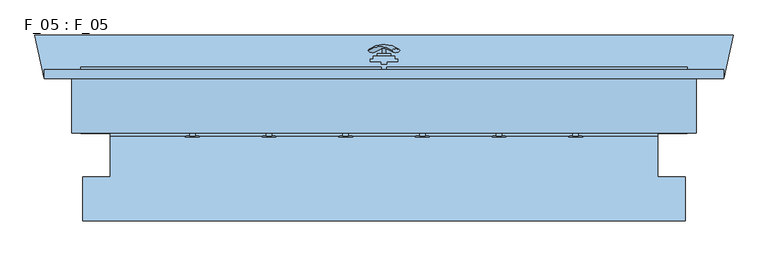
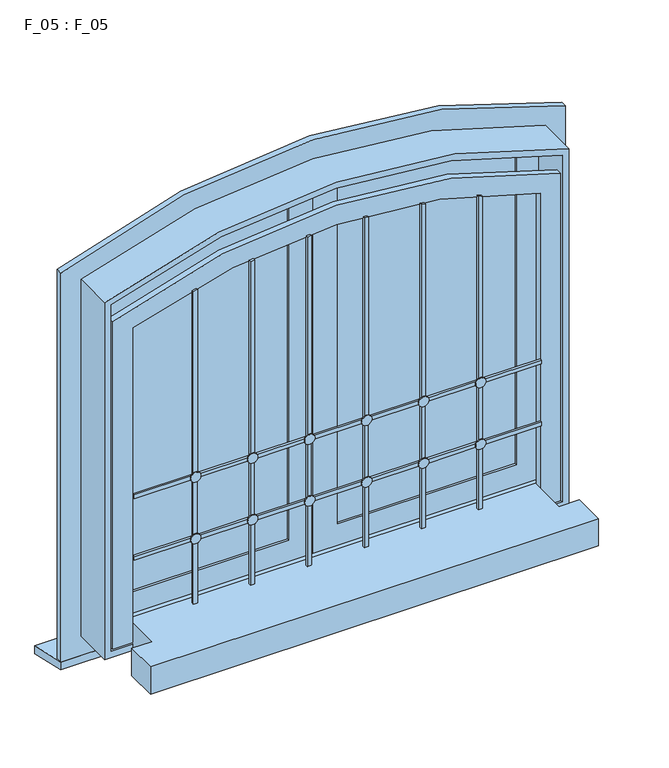
"""IFC4 building model written with IfcOpenShell, lengths in millimetres: window geometry, F_05 : F_05."""

from ifc_helpers import new_model, si_unit, point, frame, frame_2d, origin, place, context, project, spatial, polyline, circle_curve, ellipse_curve, trimmed, segment, composite_curve, outline, extrude, source, transform, mapped, element, save
from ifc_brep_helpers import plane_surface, cylinder_surface, revolved_surface, advanced_brep


def f_05_f_05_16f72bff(model_context):
    return source(origin(), model_context, "Body", "SolidModel", [
        advanced_brep(
        [(-28.5497704, -58.7712276, 1637.2483361), (-14.693364, -58.7712276, 1629.2483361), (14.693364, -58.7712276, 1712.147642), (28.5497704, -58.7712276, 1704.147642)],
        [
            (0, 1, ellipse_curve(frame((-21.6215672, -58.7712276, 1633.2483361), z_axis=(-0.46984631039295827, -0.3420201433256777, -0.8137976813493676), x_axis=(0.8660254037844349, 0.0, -0.5000000000000066)), 8.0, 3.5)),
            (1, 0, ellipse_curve(frame((-21.6215672, -58.7712276, 1633.2483361), z_axis=(-0.46984631039295827, -0.3420201433256777, -0.8137976813493676), x_axis=(0.8660254037844349, 0.0, -0.5000000000000066)), 8.0, 3.5)),
            (2, 3, ellipse_curve(frame((21.6215672, -58.7712276, 1708.147642), z_axis=(0.46984631039296154, -0.3420201433256599, 0.8137976813493732), x_axis=(0.8660254037844355, 0.0, -0.5000000000000056)), 8.0, 3.5)),
            (3, 2, ellipse_curve(frame((21.6215672, -58.7712276, 1708.147642), z_axis=(0.46984631039296154, -0.3420201433256599, 0.8137976813493732), x_axis=(0.8660254037844355, 0.0, -0.5000000000000056)), 8.0, 3.5)),
            (2, 0, circle_curve(frame((-6.9282032, -177.580763, 1674.6979891), z_axis=(-0.8660254037844353, 0.0, 0.500000000000006), x_axis=(-0.1710100716628409, 0.9396926207859051, -0.29619813272603046)), 126.4344667)),
            (1, 3, circle_curve(frame((6.9282032, -177.580763, 1666.6979891), z_axis=(0.8660254037844353, 0.0, -0.500000000000006), x_axis=(-0.1710100716628409, 0.9396926207859051, -0.29619813272603046)), 126.4344667)),
        ],
        [
            plane_surface(frame((40.0926994, -61.4528319, 1598.7446033), z_axis=(-0.4698463103929582, -0.34202014332567776, -0.8137976813493677), x_axis=(-0.8660254037844352, 0.0, 0.500000000000006))),
            plane_surface(frame((82.3598097, -61.4528319, 1671.9533858), z_axis=(0.4698463103929615, -0.34202014332565983, 0.8137976813493734), x_axis=(-0.8660254037844352, 0.0, 0.500000000000006))),
            revolved_surface(trimmed(ellipse_curve(frame((-21.6215672, -58.7712276, 1633.2483361), z_axis=(0.46984631039295827, 0.3420201433256777, 0.8137976813493676), x_axis=(0.8660254037844349, 0.0, -0.5000000000000066)), 8.0, 3.5), [point((-28.5497704, -58.7712276, 1637.2483361))], [point((-14.693364, -58.7712276, 1629.2483361))], True, "CARTESIAN"), (61.2262546, -177.580763, 1635.3489945), (-0.8660254037844353, 0.0, 0.500000000000006)),
            revolved_surface(trimmed(ellipse_curve(frame((-21.6215672, -58.7712276, 1633.2483361), z_axis=(0.46984631039295827, 0.3420201433256777, 0.8137976813493676), x_axis=(0.8660254037844349, 0.0, -0.5000000000000066)), 8.0, 3.5), [point((-14.693364, -58.7712276, 1629.2483361))], [point((-28.5497704, -58.7712276, 1637.2483361))], True, "CARTESIAN"), (61.2262546, -177.580763, 1635.3489945), (-0.8660254037844353, 0.0, 0.500000000000006)),
        ],
        [
            (0, [[1, 2]]),
            (1, [[3, 4]]),
            (2, [[-3, 5, -2, 6]]),
            (3, [[-4, -6, -1, -5]]),
        ],
    ),
        extrude(outline(composite_curve([segment(trimmed(circle_curve(frame_2d((1670.6979891, 0.0)), 3.5), [point((1670.6979891, -3.5))], [point((1670.6979891, 3.5))], False, "CARTESIAN"), True, "CONTINUOUS"), segment(trimmed(circle_curve(frame_2d((1670.6979891, 0.0)), 3.5), [point((1670.6979891, 3.5))], [point((1670.6979891, -3.5))], False, "CARTESIAN"), True, "CONTINUOUS")], self_intersect=False)), frame((0.0, -64.0, 0.0), z_axis=(0.0, 1.0, 0.0), x_axis=(0.0, 0.0, 1.0)), (0.0, 0.0, 1.0), 10.0),
        extrude(outline(polyline([(12.5, -64.0), (12.5, -69.0), (-12.5, -69.0), (-12.5, -64.0), (12.5, -64.0)])), frame((0.0, 0.0, 1600.0), z_axis=(0.0, 0.0, 1.0), x_axis=(1.0, 0.0, 0.0)), (0.0, 0.0, 1.0), 140.0),
        extrude(outline(polyline([(500.0, -190.0), (500.0, -290.0), (550.0, -290.0), (550.0, -370.0), (-550.0, -370.0), (-550.0, -290.0), (-500.0, -290.0), (-500.0, -190.0), (500.0, -190.0)])), frame((0.0, 0.0, 1200.0), z_axis=(0.0, 0.0, 1.0), x_axis=(1.0, 0.0, 0.0)), (0.0, 0.0, 1.0), 71.0),
        extrude(outline(polyline([(-620.0, -110.0), (-637.5, -30.0), (637.5, -30.0), (620.0, -110.0), (-620.0, -110.0)])), frame((0.0, 0.0, 1130.0), z_axis=(0.0, 0.0, 1.0), x_axis=(1.0, 0.0, 0.0)), (0.0, 0.0, 1.0), 20.0),
        extrude(outline(composite_curve([segment(trimmed(circle_curve(frame_2d((1441.0, 350.0)), 12.5), [point((1441.0, 337.5))], [point((1441.0, 362.5))], False, "CARTESIAN"), True, "CONTINUOUS"), segment(trimmed(circle_curve(frame_2d((1441.0, 350.0)), 12.5), [point((1441.0, 362.5))], [point((1441.0, 337.5))], False, "CARTESIAN"), True, "CONTINUOUS")], self_intersect=False)), frame((0.0, -217.0, 0.0), z_axis=(0.0, 1.0, 0.0), x_axis=(0.0, 0.0, 1.0)), (0.0, 0.0, 1.0), 2.0),
        extrude(outline(composite_curve([segment(trimmed(circle_curve(frame_2d((1441.0, 210.0)), 12.5), [point((1441.0, 197.5))], [point((1441.0, 222.5))], False, "CARTESIAN"), True, "CONTINUOUS"), segment(trimmed(circle_curve(frame_2d((1441.0, 210.0)), 12.5), [point((1441.0, 222.5))], [point((1441.0, 197.5))], False, "CARTESIAN"), True, "CONTINUOUS")], self_intersect=False)), frame((0.0, -217.0, 0.0), z_axis=(0.0, 1.0, 0.0), x_axis=(0.0, 0.0, 1.0)), (0.0, 0.0, 1.0), 2.0),
        extrude(outline(composite_curve([segment(trimmed(circle_curve(frame_2d((1441.0, 70.0)), 12.5), [point((1441.0, 57.5))], [point((1441.0, 82.5))], False, "CARTESIAN"), True, "CONTINUOUS"), segment(trimmed(circle_curve(frame_2d((1441.0, 70.0)), 12.5), [point((1441.0, 82.5))], [point((1441.0, 57.5))], False, "CARTESIAN"), True, "CONTINUOUS")], self_intersect=False)), frame((0.0, -217.0, 0.0), z_axis=(0.0, 1.0, 0.0), x_axis=(0.0, 0.0, 1.0)), (0.0, 0.0, 1.0), 2.0),
        extrude(outline(composite_curve([segment(trimmed(circle_curve(frame_2d((1441.0, -70.0)), 12.5), [point((1441.0, -82.5))], [point((1441.0, -57.5))], False, "CARTESIAN"), True, "CONTINUOUS"), segment(trimmed(circle_curve(frame_2d((1441.0, -70.0)), 12.5), [point((1441.0, -57.5))], [point((1441.0, -82.5))], False, "CARTESIAN"), True, "CONTINUOUS")], self_intersect=False)), frame((0.0, -217.0, 0.0), z_axis=(0.0, 1.0, 0.0), x_axis=(0.0, 0.0, 1.0)), (0.0, 0.0, 1.0), 2.0),
        extrude(outline(composite_curve([segment(trimmed(circle_curve(frame_2d((1441.0, -210.0)), 12.5), [point((1441.0, -222.5))], [point((1441.0, -197.5))], False, "CARTESIAN"), True, "CONTINUOUS"), segment(trimmed(circle_curve(frame_2d((1441.0, -210.0)), 12.5), [point((1441.0, -197.5))], [point((1441.0, -222.5))], False, "CARTESIAN"), True, "CONTINUOUS")], self_intersect=False)), frame((0.0, -217.0, 0.0), z_axis=(0.0, 1.0, 0.0), x_axis=(0.0, 0.0, 1.0)), (0.0, 0.0, 1.0), 2.0),
        extrude(outline(composite_curve([segment(trimmed(circle_curve(frame_2d((1441.0, -350.0)), 12.5), [point((1441.0, -362.5))], [point((1441.0, -337.5))], False, "CARTESIAN"), True, "CONTINUOUS"), segment(trimmed(circle_curve(frame_2d((1441.0, -350.0)), 12.5), [point((1441.0, -337.5))], [point((1441.0, -362.5))], False, "CARTESIAN"), True, "CONTINUOUS")], self_intersect=False)), frame((0.0, -217.0, 0.0), z_axis=(0.0, 1.0, 0.0), x_axis=(0.0, 0.0, 1.0)), (0.0, 0.0, 1.0), 2.0),
        extrude(outline(composite_curve([segment(trimmed(circle_curve(frame_2d((1601.0, 350.0)), 12.5), [point((1601.0, 337.5))], [point((1601.0, 362.5))], False, "CARTESIAN"), True, "CONTINUOUS"), segment(trimmed(circle_curve(frame_2d((1601.0, 350.0)), 12.5), [point((1601.0, 362.5))], [point((1601.0, 337.5))], False, "CARTESIAN"), True, "CONTINUOUS")], self_intersect=False)), frame((0.0, -217.0, 0.0), z_axis=(0.0, 1.0, 0.0), x_axis=(0.0, 0.0, 1.0)), (0.0, 0.0, 1.0), 2.0),
        extrude(outline(composite_curve([segment(trimmed(circle_curve(frame_2d((1601.0, 210.0)), 12.5), [point((1601.0, 197.5))], [point((1601.0, 222.5))], False, "CARTESIAN"), True, "CONTINUOUS"), segment(trimmed(circle_curve(frame_2d((1601.0, 210.0)), 12.5), [point((1601.0, 222.5))], [point((1601.0, 197.5))], False, "CARTESIAN"), True, "CONTINUOUS")], self_intersect=False)), frame((0.0, -217.0, 0.0), z_axis=(0.0, 1.0, 0.0), x_axis=(0.0, 0.0, 1.0)), (0.0, 0.0, 1.0), 2.0),
        extrude(outline(composite_curve([segment(trimmed(circle_curve(frame_2d((1601.0, 70.0)), 12.5), [point((1601.0, 57.5))], [point((1601.0, 82.5))], False, "CARTESIAN"), True, "CONTINUOUS"), segment(trimmed(circle_curve(frame_2d((1601.0, 70.0)), 12.5), [point((1601.0, 82.5))], [point((1601.0, 57.5))], False, "CARTESIAN"), True, "CONTINUOUS")], self_intersect=False)), frame((0.0, -217.0, 0.0), z_axis=(0.0, 1.0, 0.0), x_axis=(0.0, 0.0, 1.0)), (0.0, 0.0, 1.0), 2.0),
        extrude(outline(composite_curve([segment(trimmed(circle_curve(frame_2d((1601.0, -70.0)), 12.5), [point((1601.0, -82.5))], [point((1601.0, -57.5))], False, "CARTESIAN"), True, "CONTINUOUS"), segment(trimmed(circle_curve(frame_2d((1601.0, -70.0)), 12.5), [point((1601.0, -57.5))], [point((1601.0, -82.5))], False, "CARTESIAN"), True, "CONTINUOUS")], self_intersect=False)), frame((0.0, -217.0, 0.0), z_axis=(0.0, 1.0, 0.0), x_axis=(0.0, 0.0, 1.0)), (0.0, 0.0, 1.0), 2.0),
        extrude(outline(composite_curve([segment(trimmed(circle_curve(frame_2d((1601.0, -210.0)), 12.5), [point((1601.0, -222.5))], [point((1601.0, -197.5))], False, "CARTESIAN"), True, "CONTINUOUS"), segment(trimmed(circle_curve(frame_2d((1601.0, -210.0)), 12.5), [point((1601.0, -197.5))], [point((1601.0, -222.5))], False, "CARTESIAN"), True, "CONTINUOUS")], self_intersect=False)), frame((0.0, -217.0, 0.0), z_axis=(0.0, 1.0, 0.0), x_axis=(0.0, 0.0, 1.0)), (0.0, 0.0, 1.0), 2.0),
        extrude(outline(composite_curve([segment(trimmed(circle_curve(frame_2d((1601.0, -350.0)), 12.5), [point((1601.0, -362.5))], [point((1601.0, -337.5))], False, "CARTESIAN"), True, "CONTINUOUS"), segment(trimmed(circle_curve(frame_2d((1601.0, -350.0)), 12.5), [point((1601.0, -337.5))], [point((1601.0, -362.5))], False, "CARTESIAN"), True, "CONTINUOUS")], self_intersect=False)), frame((0.0, -217.0, 0.0), z_axis=(0.0, 1.0, 0.0), x_axis=(0.0, 0.0, 1.0)), (0.0, 0.0, 1.0), 2.0),
        extrude(outline(composite_curve([segment(polyline([(1606.0, 65.0), (1606.0, -65.0), (2127.1303147, -65.0)]), True, "CONTINUOUS"), segment(trimmed(circle_curve(frame_2d((742.432857, 0.0)), 1386.2222222), [point((2127.1303147, -65.0))], [point((2126.6246968, -75.0))], False, "CARTESIAN"), True, "CONTINUOUS"), segment(polyline([(2126.6246968, -75.0), (1606.0, -75.0), (1606.0, -205.0), (2113.4131812, -205.0)]), True, "CONTINUOUS"), segment(trimmed(circle_curve(frame_2d((742.432857, 0.0)), 1386.2222222), [point((2113.4131812, -205.0))], [point((2111.8805739, -215.0))], False, "CARTESIAN"), True, "CONTINUOUS"), segment(polyline([(2111.8805739, -215.0), (1606.0, -215.0), (1606.0, -345.0), (2085.0374337, -345.0)]), True, "CONTINUOUS"), segment(trimmed(circle_curve(frame_2d((742.432857, 0.0)), 1386.2222222), [point((2085.0374337, -345.0))], [point((2082.4280247, -355.0))], False, "CARTESIAN"), True, "CONTINUOUS"), segment(polyline([(2082.4280247, -355.0), (1606.0, -355.0), (1606.0, -500.0), (1596.0, -500.0), (1596.0, -355.0), (1446.0, -355.0), (1446.0, -500.0), (1436.0, -500.0), (1436.0, -355.0), (1271.0, -355.0), (1271.0, -345.0), (1436.0, -345.0), (1436.0, -215.0), (1271.0, -215.0), (1271.0, -205.0), (1436.0, -205.0), (1436.0, -75.0), (1271.0, -75.0), (1271.0, -65.0), (1436.0, -65.0), (1436.0, 65.0), (1271.0, 65.0), (1271.0, 75.0), (1436.0, 75.0), (1436.0, 205.0), (1271.0, 205.0), (1271.0, 215.0), (1436.0, 215.0), (1436.0, 345.0), (1271.0, 345.0), (1271.0, 355.0), (1436.0, 355.0), (1436.0, 500.0), (1446.0, 500.0), (1446.0, 355.0), (1596.0, 355.0), (1596.0, 500.0), (1606.0, 500.0), (1606.0, 355.0), (2082.4280247, 355.0)]), True, "CONTINUOUS"), segment(trimmed(circle_curve(frame_2d((742.432857, 0.0)), 1386.2222222), [point((2082.4280247, 355.0))], [point((2085.0374337, 345.0))], False, "CARTESIAN"), True, "CONTINUOUS"), segment(polyline([(2085.0374337, 345.0), (1606.0, 345.0), (1606.0, 215.0), (2111.8805739, 215.0)]), True, "CONTINUOUS"), segment(trimmed(circle_curve(frame_2d((742.432857, 0.0)), 1386.2222222), [point((2111.8805739, 215.0))], [point((2113.4131812, 205.0))], False, "CARTESIAN"), True, "CONTINUOUS"), segment(polyline([(2113.4131812, 205.0), (1606.0, 205.0), (1606.0, 75.0), (2126.6246968, 75.0)]), True, "CONTINUOUS"), segment(trimmed(circle_curve(frame_2d((742.432857, 0.0)), 1386.2222222), [point((2126.6246968, 75.0))], [point((2127.1303147, 65.0))], False, "CARTESIAN"), True, "CONTINUOUS"), segment(polyline([(2127.1303147, 65.0), (1606.0, 65.0)]), True, "CONTINUOUS")], self_intersect=False), holes=[polyline([(1446.0, 345.0), (1446.0, 215.0), (1596.0, 215.0), (1596.0, 345.0), (1446.0, 345.0)]), polyline([(1446.0, 205.0), (1446.0, 75.0), (1596.0, 75.0), (1596.0, 205.0), (1446.0, 205.0)]), polyline([(1446.0, 65.0), (1446.0, -65.0), (1596.0, -65.0), (1596.0, 65.0), (1446.0, 65.0)]), polyline([(1596.0, -75.0), (1446.0, -75.0), (1446.0, -205.0), (1596.0, -205.0), (1596.0, -75.0)]), polyline([(1446.0, -215.0), (1446.0, -345.0), (1596.0, -345.0), (1596.0, -215.0), (1446.0, -215.0)])]), frame((0.0, -215.0, 0.0), z_axis=(0.0, 1.0, 0.0), x_axis=(0.0, 0.0, 1.0)), (0.0, 0.0, 1.0), 5.0),
        extrude(outline(composite_curve([segment(polyline([(2070.2535211, -550.0), (1220.0, -550.0), (1220.0, 550.0), (2070.2535211, 550.0)]), True, "CONTINUOUS"), segment(trimmed(circle_curve(frame_2d((742.432857, 0.0)), 1437.2222222), [point((2070.2535211, 550.0))], [point((2070.2535211, -550.0))], False, "CARTESIAN"), True, "CONTINUOUS")], self_intersect=False), holes=[composite_curve([segment(trimmed(circle_curve(frame_2d((742.432857, 0.0)), 1387.2222222), [point((2036.4133413, -500.0))], [point((2036.4133413, 500.0))], True, "CARTESIAN"), True, "CONTINUOUS"), segment(polyline([(2036.4133413, 500.0), (1271.0, 500.0), (1271.0, -500.0), (2036.4133413, -500.0)]), True, "CONTINUOUS")], self_intersect=False)]), frame((0.0, -210.0, 0.0), z_axis=(0.0, 1.0, 0.0), x_axis=(0.0, 0.0, 1.0)), (0.0, 0.0, 1.0), 16.0),
        extrude(outline(composite_curve([segment(trimmed(circle_curve(frame_2d((742.432857, 0.0)), 1426.2222222), [point((2167.3924449, -60.0))], [point((2078.5125055, -499.0))], False, "CARTESIAN"), True, "CONTINUOUS"), segment(polyline([(2078.5125055, -499.0), (1271.0, -499.0), (1271.0, -60.0), (2167.3924449, -60.0)]), True, "CONTINUOUS")], self_intersect=False)), frame((0.0, -104.0, 0.0), z_axis=(0.0, 1.0, 0.0), x_axis=(0.0, 0.0, 1.0)), (0.0, 0.0, 1.0), 6.0),
        extrude(outline(composite_curve([segment(polyline([(1271.0, 60.0), (1271.0, 499.0), (2078.5125055, 499.0)]), True, "CONTINUOUS"), segment(trimmed(circle_curve(frame_2d((742.432857, 0.0)), 1426.2222222), [point((2078.5125055, 499.0))], [point((2167.3924449, 60.0))], False, "CARTESIAN"), True, "CONTINUOUS"), segment(polyline([(2167.3924449, 60.0), (1271.0, 60.0)]), True, "CONTINUOUS")], self_intersect=False)), frame((0.0, -104.0, 0.0), z_axis=(0.0, 1.0, 0.0), x_axis=(0.0, 0.0, 1.0)), (0.0, 0.0, 1.0), 6.0),
        extrude(outline(polyline([(5.0, -84.0), (-5.0, -84.0), (-5.0, -79.0), (-25.0, -79.0), (-25.0, -74.0), (-20.0, -74.0), (-20.0, -69.0), (20.0, -69.0), (20.0, -74.0), (25.0, -74.0), (25.0, -79.0), (5.0, -79.0), (5.0, -84.0)])), frame((0.0, 0.0, 1206.0), z_axis=(0.0, 0.0, 1.0), x_axis=(1.0, 0.0, 0.0)), (0.0, 0.0, 1.0), 1029.0),
        advanced_brep(
        [(60.0, -110.0, 2167.3924449), (60.0, -110.0, 1271.0), (60.0, -94.0, 1271.0), (60.0, -94.0, 2167.3924449), (499.0, -110.0, 1271.0), (499.0, -94.0, 1271.0), (55.0, -94.0, 1266.0), (55.0, -94.0, 2172.5978997), (504.0, -94.0, 2081.9779475), (504.0, -94.0, 1266.0), (499.0, -94.0, 2078.5125055), (499.0, -110.0, 2078.5125055), (0.0, -110.0, 1211.0), (559.0, -110.0, 1211.0), (559.0, -110.0, 2119.522358), (0.0, -110.0, 2228.6550792), (55.0, -89.0, 1266.0), (55.0, -89.0, 2172.5978997), (504.0, -89.0, 1266.0), (5.0, -89.0, 1216.0), (5.0, -89.0, 2223.6466402), (554.0, -89.0, 2116.1516316), (554.0, -89.0, 1216.0), (504.0, -89.0, 2081.9779475), (5.0, -94.0, 1216.0), (5.0, -94.0, 2223.6466402), (554.0, -94.0, 1216.0), (0.0, -94.0, 1211.0), (0.0, -94.0, 2228.6550792), (559.0, -94.0, 2119.522358), (559.0, -94.0, 1211.0), (554.0, -94.0, 2116.1516316)],
        [
            (0, 1),
            (1, 2),
            (2, 3),
            (3, 0),
            (1, 4),
            (4, 5),
            (5, 2),
            (6, 7),
            (7, 8, circle_curve(frame((0.0, -94.0, 742.432857), z_axis=(0.0, 1.0, 0.0), x_axis=(0.3782132478950905, 0.0, 0.9257184988519171)), 1431.2222222)),
            (8, 9),
            (9, 6),
            (5, 10),
            (10, 3, circle_curve(frame((0.0, -94.0, 742.432857), z_axis=(0.0, -1.0, 0.0), x_axis=(0.3782132478950905, 0.0, 0.9257184988519171)), 1426.2222222)),
            (4, 11),
            (11, 10),
            (12, 13),
            (13, 14),
            (14, 15, circle_curve(frame((0.0, -110.0, 742.432857), z_axis=(0.0, -1.0, 0.0), x_axis=(0.3782132478950905, 0.0, 0.9257184988519171)), 1486.2222222)),
            (15, 12),
            (0, 11, circle_curve(frame((0.0, -110.0, 742.432857), z_axis=(0.0, 1.0, 0.0), x_axis=(0.3782132478950905, 0.0, 0.9257184988519171)), 1426.2222222)),
            (6, 16),
            (16, 17),
            (17, 7),
            (9, 18),
            (18, 16),
            (19, 20),
            (20, 21, circle_curve(frame((0.0, -89.0, 742.432857), z_axis=(0.0, 1.0, 0.0), x_axis=(0.3782132478950905, 0.0, 0.9257184988519171)), 1481.2222222)),
            (21, 22),
            (22, 19),
            (18, 23),
            (23, 17, circle_curve(frame((0.0, -89.0, 742.432857), z_axis=(0.0, -1.0, 0.0), x_axis=(0.3782132478950905, 0.0, 0.9257184988519171)), 1431.2222222)),
            (8, 23),
            (19, 24),
            (24, 25),
            (25, 20),
            (22, 26),
            (26, 24),
            (27, 28),
            (28, 29, circle_curve(frame((0.0, -94.0, 742.432857), z_axis=(0.0, 1.0, 0.0), x_axis=(0.3782132478950905, 0.0, 0.9257184988519171)), 1486.2222222)),
            (29, 30),
            (30, 27),
            (26, 31),
            (31, 25, circle_curve(frame((0.0, -94.0, 742.432857), z_axis=(0.0, -1.0, 0.0), x_axis=(0.3782132478950905, 0.0, 0.9257184988519171)), 1481.2222222)),
            (21, 31),
            (27, 12),
            (15, 28),
            (30, 13),
            (29, 14),
        ],
        [
            plane_surface(frame((60.0, -94.0, 2167.3924449), z_axis=(1.0, 0.0, 0.0), x_axis=(0.0, 0.0, -1.0))),
            plane_surface(frame((60.0, -94.0, 1271.0), z_axis=(0.0, 0.0, 1.0), x_axis=(1.0, 0.0, 0.0))),
            plane_surface(frame((55.0, -94.0, 2172.5978997), z_axis=(0.0, 1.0, 0.0), x_axis=(0.0, 0.0, -1.0))),
            plane_surface(frame((499.0, -94.0, 1271.0), z_axis=(-1.0, 0.0, 0.0), x_axis=(0.0, 0.0, 1.0))),
            plane_surface(frame((60.0, -110.0, 2167.3924449), z_axis=(0.0, -1.0, 0.0), x_axis=(0.0, 0.0, -1.0))),
            plane_surface(frame((55.0, -89.0, 2172.5978997), z_axis=(1.0, 0.0, 0.0), x_axis=(0.0, 0.0, -1.0))),
            plane_surface(frame((55.0, -89.0, 1266.0), z_axis=(0.0, 0.0, 1.0), x_axis=(1.0, 0.0, 0.0))),
            plane_surface(frame((5.0, -89.0, 2223.6466402), z_axis=(0.0, 1.0, 0.0), x_axis=(0.0, 0.0, -1.0))),
            plane_surface(frame((504.0, -89.0, 1266.0), z_axis=(-1.0, 0.0, 0.0), x_axis=(0.0, 0.0, 1.0))),
            plane_surface(frame((5.0, -94.0, 2223.6466402), z_axis=(-1.0, 0.0, 0.0), x_axis=(0.0, 0.0, -1.0))),
            plane_surface(frame((5.0, -94.0, 1216.0), z_axis=(0.0, 0.0, -1.0), x_axis=(1.0, 0.0, 0.0))),
            plane_surface(frame((0.0, -94.0, 2228.6550792), z_axis=(0.0, 1.0, 0.0), x_axis=(0.0, 0.0, -1.0))),
            plane_surface(frame((554.0, -94.0, 1216.0), z_axis=(1.0, 0.0, 0.0), x_axis=(0.0, 0.0, 1.0))),
            plane_surface(frame((0.0, -110.0, 2228.6550792), z_axis=(-1.0, 0.0, 0.0), x_axis=(0.0, 0.0, -1.0))),
            plane_surface(frame((0.0, -110.0, 1211.0), z_axis=(0.0, 0.0, -1.0), x_axis=(1.0, 0.0, 0.0))),
            plane_surface(frame((559.0, -110.0, 1211.0), z_axis=(1.0, 0.0, 0.0), x_axis=(0.0, 0.0, 1.0))),
            revolved_surface(polyline([(539.4161388784154, -94.0, 2062.7131515642295), (539.4161388784154, -110.0, 2062.7131515642295)]), (0.0, 290.0, 742.432857), (0.0, 1.0, 0.0)),
            revolved_surface(polyline([(541.3072051178909, -89.0, 2067.341744058489), (541.3072051178909, -94.0, 2067.341744058489)]), (0.0, 290.0, 742.432857), (0.0, 1.0, 0.0)),
            cylinder_surface(frame((0.0, 290.0, 742.432857), z_axis=(0.0, 1.0, 0.0), x_axis=(0.3782132478950905, 0.0, 0.9257184988519171)), 1481.2222222),
            cylinder_surface(frame((0.0, 290.0, 742.432857), z_axis=(0.0, 1.0, 0.0), x_axis=(0.3782132478950905, 0.0, 0.9257184988519171)), 1486.2222222),
        ],
        [
            (0, [[1, 2, 3, 4]]),
            (1, [[5, 6, 7, -2]]),
            (2, [[8, 9, 10, 11], [-7, 12, 13, -3]]),
            (3, [[14, 15, -12, -6]]),
            (4, [[16, 17, 18, 19], [-1, 20, -14, -5]]),
            (5, [[-8, 21, 22, 23]]),
            (6, [[-11, 24, 25, -21]]),
            (7, [[26, 27, 28, 29], [-25, 30, 31, -22]]),
            (8, [[-10, 32, -30, -24]]),
            (9, [[-26, 33, 34, 35]]),
            (10, [[-29, 36, 37, -33]]),
            (11, [[38, 39, 40, 41], [-37, 42, 43, -34]]),
            (12, [[-28, 44, -42, -36]]),
            (13, [[-38, 45, -19, 46]]),
            (14, [[-41, 47, -16, -45]]),
            (15, [[-40, 48, -17, -47]]),
            (16, [[-4, -13, -15, -20]]),
            (17, [[-23, -31, -32, -9]]),
            (18, [[-35, -43, -44, -27]]),
            (19, [[-46, -18, -48, -39]]),
        ],
    ),
        advanced_brep(
        [(-60.0, -94.0, 2167.3924449), (-60.0, -94.0, 1271.0), (-60.0, -110.0, 1271.0), (-60.0, -110.0, 2167.3924449), (-499.0, -94.0, 1271.0), (-499.0, -110.0, 1271.0), (0.0, -110.0, 1211.0), (0.0, -110.0, 2228.6550792), (-559.0, -110.0, 2119.522358), (-559.0, -110.0, 1211.0), (-499.0, -110.0, 2078.5125055), (-499.0, -94.0, 2078.5125055), (-55.0, -94.0, 1266.0), (-504.0, -94.0, 1266.0), (-504.0, -94.0, 2081.9779475), (-55.0, -94.0, 2172.5978997), (-55.0, -89.0, 2172.5978997), (-55.0, -89.0, 1266.0), (-504.0, -89.0, 1266.0), (-504.0, -89.0, 2081.9779475), (-5.0, -89.0, 1216.0), (-554.0, -89.0, 1216.0), (-554.0, -89.0, 2116.1516316), (-5.0, -89.0, 2223.6466402), (-5.0, -94.0, 2223.6466402), (-5.0, -94.0, 1216.0), (-554.0, -94.0, 1216.0), (-554.0, -94.0, 2116.1516316), (0.0, -94.0, 1211.0), (-559.0, -94.0, 1211.0), (-559.0, -94.0, 2119.522358), (0.0, -94.0, 2228.6550792)],
        [
            (0, 1),
            (1, 2),
            (2, 3),
            (3, 0),
            (1, 4),
            (4, 5),
            (5, 2),
            (6, 7),
            (7, 8, circle_curve(frame((0.0, -110.0, 742.432857), z_axis=(0.0, -1.0, 0.0), x_axis=(-0.3782132478950875, 0.0, 0.9257184988519184)), 1486.2222222)),
            (8, 9),
            (9, 6),
            (5, 10),
            (10, 3, circle_curve(frame((0.0, -110.0, 742.432857), z_axis=(0.0, 1.0, 0.0), x_axis=(-0.3782132478950875, 0.0, 0.9257184988519184)), 1426.2222222)),
            (4, 11),
            (11, 10),
            (12, 13),
            (13, 14),
            (14, 15, circle_curve(frame((0.0, -94.0, 742.432857), z_axis=(0.0, 1.0, 0.0), x_axis=(-0.3782132478950875, 0.0, 0.9257184988519184)), 1431.2222222)),
            (15, 12),
            (0, 11, circle_curve(frame((0.0, -94.0, 742.432857), z_axis=(0.0, -1.0, 0.0), x_axis=(-0.3782132478950875, 0.0, 0.9257184988519184)), 1426.2222222)),
            (16, 17),
            (17, 12),
            (15, 16),
            (17, 18),
            (18, 13),
            (18, 19),
            (19, 14),
            (20, 21),
            (21, 22),
            (22, 23, circle_curve(frame((0.0, -89.0, 742.432857), z_axis=(0.0, 1.0, 0.0), x_axis=(-0.3782132478950875, 0.0, 0.9257184988519184)), 1481.2222222)),
            (23, 20),
            (16, 19, circle_curve(frame((0.0, -89.0, 742.432857), z_axis=(0.0, -1.0, 0.0), x_axis=(-0.3782132478950875, 0.0, 0.9257184988519184)), 1431.2222222)),
            (24, 25),
            (25, 20),
            (23, 24),
            (25, 26),
            (26, 21),
            (26, 27),
            (27, 22),
            (28, 29),
            (29, 30),
            (30, 31, circle_curve(frame((0.0, -94.0, 742.432857), z_axis=(0.0, 1.0, 0.0), x_axis=(-0.3782132478950875, 0.0, 0.9257184988519184)), 1486.2222222)),
            (31, 28),
            (24, 27, circle_curve(frame((0.0, -94.0, 742.432857), z_axis=(0.0, -1.0, 0.0), x_axis=(-0.3782132478950875, 0.0, 0.9257184988519184)), 1481.2222222)),
            (6, 28),
            (31, 7),
            (9, 29),
            (8, 30),
        ],
        [
            plane_surface(frame((-60.0, -110.0, 2167.3924449), z_axis=(-1.0, 0.0, 0.0), x_axis=(0.0, 0.0, -1.0))),
            plane_surface(frame((-60.0, -110.0, 1271.0), z_axis=(0.0, 0.0, 1.0), x_axis=(-1.0, 0.0, 0.0))),
            plane_surface(frame((0.0, -110.0, 2228.6550792), z_axis=(0.0, -1.0, 0.0), x_axis=(0.0, 0.0, -1.0))),
            plane_surface(frame((-499.0, -110.0, 1271.0), z_axis=(1.0, 0.0, 0.0), x_axis=(0.0, 0.0, 1.0))),
            plane_surface(frame((-60.0, -94.0, 2167.3924449), z_axis=(0.0, 1.0, 0.0), x_axis=(0.0, 0.0, -1.0))),
            plane_surface(frame((-55.0, -94.0, 2172.5978997), z_axis=(-1.0, 0.0, 0.0), x_axis=(0.0, 0.0, -1.0))),
            plane_surface(frame((-55.0, -94.0, 1266.0), z_axis=(0.0, 0.0, 1.0), x_axis=(-1.0, 0.0, 0.0))),
            plane_surface(frame((-504.0, -94.0, 1266.0), z_axis=(1.0, 0.0, 0.0), x_axis=(0.0, 0.0, 1.0))),
            plane_surface(frame((-55.0, -89.0, 2172.5978997), z_axis=(0.0, 1.0, 0.0), x_axis=(0.0, 0.0, -1.0))),
            plane_surface(frame((-5.0, -89.0, 2223.6466402), z_axis=(1.0, 0.0, 0.0), x_axis=(0.0, 0.0, -1.0))),
            plane_surface(frame((-5.0, -89.0, 1216.0), z_axis=(0.0, 0.0, -1.0), x_axis=(-1.0, 0.0, 0.0))),
            plane_surface(frame((-554.0, -89.0, 1216.0), z_axis=(-1.0, 0.0, 0.0), x_axis=(0.0, 0.0, 1.0))),
            plane_surface(frame((-5.0, -94.0, 2223.6466402), z_axis=(0.0, 1.0, 0.0), x_axis=(0.0, 0.0, -1.0))),
            plane_surface(frame((0.0, -94.0, 2228.6550792), z_axis=(1.0, 0.0, 0.0), x_axis=(0.0, 0.0, -1.0))),
            plane_surface(frame((0.0, -94.0, 1211.0), z_axis=(0.0, 0.0, -1.0), x_axis=(-1.0, 0.0, 0.0))),
            plane_surface(frame((-559.0, -94.0, 1211.0), z_axis=(-1.0, 0.0, 0.0), x_axis=(0.0, 0.0, 1.0))),
            revolved_surface(polyline([(-539.4161388784112, -110.0, 2062.7131515642313), (-539.4161388784112, -94.0, 2062.7131515642313)]), (0.0, 290.0, 742.432857), (0.0, -1.0, 0.0)),
            revolved_surface(polyline([(-541.3072051178866, -94.0, 2067.341744058491), (-541.3072051178866, -89.0, 2067.341744058491)]), (0.0, 290.0, 742.432857), (0.0, -1.0, 0.0)),
            cylinder_surface(frame((0.0, 290.0, 742.432857), z_axis=(0.0, -1.0, 0.0), x_axis=(-0.3782132478950875, 0.0, 0.9257184988519184)), 1481.2222222),
            cylinder_surface(frame((0.0, 290.0, 742.432857), z_axis=(0.0, -1.0, 0.0), x_axis=(-0.3782132478950875, 0.0, 0.9257184988519184)), 1486.2222222),
        ],
        [
            (0, [[1, 2, 3, 4]]),
            (1, [[5, 6, 7, -2]]),
            (2, [[8, 9, 10, 11], [-7, 12, 13, -3]]),
            (3, [[14, 15, -12, -6]]),
            (4, [[16, 17, 18, 19], [-1, 20, -14, -5]]),
            (5, [[21, 22, -19, 23]]),
            (6, [[24, 25, -16, -22]]),
            (7, [[26, 27, -17, -25]]),
            (8, [[28, 29, 30, 31], [-21, 32, -26, -24]]),
            (9, [[33, 34, -31, 35]]),
            (10, [[36, 37, -28, -34]]),
            (11, [[38, 39, -29, -37]]),
            (12, [[40, 41, 42, 43], [-33, 44, -38, -36]]),
            (13, [[-8, 45, -43, 46]]),
            (14, [[-11, 47, -40, -45]]),
            (15, [[-10, 48, -41, -47]]),
            (16, [[-4, -13, -15, -20]]),
            (17, [[-23, -18, -27, -32]]),
            (18, [[-35, -30, -39, -44]]),
            (19, [[-46, -42, -48, -9]]),
        ],
    ),
        advanced_brep(
        [(-620.0, -94.0, 2160.0), (620.0, -94.0, 2160.0), (620.0, -94.0, 1150.0), (-620.0, -94.0, 1150.0), (564.0, -94.0, 2122.884854), (-564.0, -94.0, 2122.884854), (-564.0, -94.0, 1206.0), (564.0, -94.0, 1206.0), (-620.0, -110.0, 1150.0), (-620.0, -110.0, 2160.0), (620.0, -110.0, 1150.0), (620.0, -110.0, 2160.0), (564.0, -110.0, 1206.0), (564.0, -110.0, 2122.884854), (-564.0, -110.0, 1206.0), (-564.0, -110.0, 2122.884854), (-570.0, -110.0, 2126.9090694), (570.0, -110.0, 2126.9090694), (570.0, -110.0, 1200.0), (-570.0, -110.0, 1200.0), (-570.0, -210.0, 2126.9090694), (-570.0, -210.0, 1200.0), (570.0, -210.0, 1200.0), (570.0, -210.0, 2126.9090694), (-554.0, -110.0, 2116.1516316), (-554.0, -110.0, 1216.0), (554.0, -110.0, 1216.0), (554.0, -110.0, 2116.1516316), (554.0, -210.0, 1216.0), (554.0, -210.0, 2116.1516316), (-554.0, -210.0, 1216.0), (-554.0, -210.0, 2116.1516316)],
        [
            (0, 1, circle_curve(frame((0.0, -94.0, 742.432857), z_axis=(0.0, 1.0, 0.0), x_axis=(1.0, 0.0, 0.0)), 1547.2222222)),
            (1, 2),
            (2, 3),
            (3, 0),
            (4, 5, circle_curve(frame((0.0, -94.0, 742.432857), z_axis=(0.0, -1.0, 0.0), x_axis=(1.0, 0.0, 0.0)), 1491.2222222)),
            (5, 6),
            (6, 7),
            (7, 4),
            (3, 8),
            (8, 9),
            (9, 0),
            (2, 10),
            (10, 8),
            (1, 11),
            (11, 10),
            (7, 12),
            (12, 13),
            (13, 4),
            (6, 14),
            (14, 12),
            (5, 15),
            (15, 14),
            (11, 9, circle_curve(frame((0.0, -110.0, 742.432857), z_axis=(0.0, -1.0, 0.0), x_axis=(1.0, 0.0, 0.0)), 1547.2222222)),
            (16, 17, circle_curve(frame((0.0, -110.0, 742.432857), z_axis=(0.0, 1.0, 0.0), x_axis=(1.0, 0.0, 0.0)), 1497.2222222)),
            (17, 18),
            (18, 19),
            (19, 16),
            (20, 16),
            (19, 21),
            (21, 20),
            (18, 22),
            (22, 21),
            (17, 23),
            (23, 22),
            (15, 13, circle_curve(frame((0.0, -110.0, 742.432857), z_axis=(0.0, 1.0, 0.0), x_axis=(1.0, 0.0, 0.0)), 1491.2222222)),
            (24, 25),
            (25, 26),
            (26, 27),
            (27, 24, circle_curve(frame((0.0, -110.0, 742.432857), z_axis=(0.0, -1.0, 0.0), x_axis=(1.0, 0.0, 0.0)), 1481.2222222)),
            (26, 28),
            (28, 29),
            (29, 27),
            (25, 30),
            (30, 28),
            (24, 31),
            (31, 30),
            (23, 20, circle_curve(frame((0.0, -210.0, 742.432857), z_axis=(0.0, -1.0, 0.0), x_axis=(1.0, 0.0, 0.0)), 1497.2222222)),
            (31, 29, circle_curve(frame((0.0, -210.0, 742.432857), z_axis=(0.0, 1.0, 0.0), x_axis=(1.0, 0.0, 0.0)), 1481.2222222)),
        ],
        [
            plane_surface(frame((-620.0, -94.0, 2160.0), z_axis=(0.0, 1.0, 0.0), x_axis=(0.0, 0.0, -1.0))),
            plane_surface(frame((-620.0, -94.0, 2160.0), z_axis=(-1.0, 0.0, 0.0), x_axis=(0.0, -1.0, 0.0))),
            plane_surface(frame((-620.0, -94.0, 1150.0), z_axis=(0.0, 0.0, -1.0), x_axis=(0.0, -1.0, 0.0))),
            plane_surface(frame((620.0, -94.0, 1150.0), z_axis=(1.0, 0.0, 0.0), x_axis=(0.0, -1.0, 0.0))),
            plane_surface(frame((564.0, -94.0, 2122.884854), z_axis=(-1.0, 0.0, 0.0), x_axis=(0.0, -1.0, 0.0))),
            plane_surface(frame((564.0, -94.0, 1206.0), z_axis=(0.0, 0.0, 1.0), x_axis=(0.0, -1.0, 0.0))),
            plane_surface(frame((-564.0, -94.0, 1206.0), z_axis=(1.0, 0.0, 0.0), x_axis=(0.0, -1.0, 0.0))),
            plane_surface(frame((-620.0, -110.0, 2160.0), z_axis=(0.0, -1.0, 0.0), x_axis=(0.0, 0.0, 1.0))),
            plane_surface(frame((-570.0, -110.0, 2126.9090694), z_axis=(-1.0, 0.0, 0.0), x_axis=(0.0, -1.0, 0.0))),
            plane_surface(frame((-570.0, -110.0, 1200.0), z_axis=(0.0, 0.0, -1.0), x_axis=(0.0, -1.0, 0.0))),
            plane_surface(frame((570.0, -110.0, 1200.0), z_axis=(1.0, 0.0, 0.0), x_axis=(0.0, -1.0, 0.0))),
            plane_surface(frame((-570.0, -110.0, 2126.9090694), z_axis=(0.0, 1.0, 0.0), x_axis=(0.0, 0.0, -1.0))),
            plane_surface(frame((554.0, -110.0, 2116.1516316), z_axis=(-1.0, 0.0, 0.0), x_axis=(0.0, -1.0, 0.0))),
            plane_surface(frame((554.0, -110.0, 1216.0), z_axis=(0.0, 0.0, 1.0), x_axis=(0.0, -1.0, 0.0))),
            plane_surface(frame((-554.0, -110.0, 1216.0), z_axis=(1.0, 0.0, 0.0), x_axis=(0.0, -1.0, 0.0))),
            plane_surface(frame((-570.0, -210.0, 2126.9090694), z_axis=(0.0, -1.0, 0.0), x_axis=(0.0, 0.0, 1.0))),
            cylinder_surface(frame((0.0, -110.0, 742.432857), z_axis=(0.0, 1.0, 0.0), x_axis=(1.0, 0.0, 0.0)), 1547.2222222),
            cylinder_surface(frame((0.0, -210.0, 742.432857), z_axis=(0.0, 1.0, 0.0), x_axis=(1.0, 0.0, 0.0)), 1497.2222222),
            revolved_surface(polyline([(1481.2222222, -210.0, 742.432857), (1481.2222222, -110.0, 742.432857)]), (0.0, 290.0, 742.432857), (0.0, -1.0, 0.0)),
            revolved_surface(polyline([(1491.2222222, -110.0, 742.432857), (1491.2222222, -94.0, 742.432857)]), (0.0, 290.0, 742.432857), (0.0, -1.0, 0.0)),
        ],
        [
            (0, [[1, 2, 3, 4], [5, 6, 7, 8]]),
            (1, [[9, 10, 11, -4]]),
            (2, [[12, 13, -9, -3]]),
            (3, [[14, 15, -12, -2]]),
            (4, [[16, 17, 18, -8]]),
            (5, [[19, 20, -16, -7]]),
            (6, [[21, 22, -19, -6]]),
            (7, [[-10, -13, -15, 23], [24, 25, 26, 27]]),
            (8, [[28, -27, 29, 30]]),
            (9, [[-29, -26, 31, 32]]),
            (10, [[-31, -25, 33, 34]]),
            (11, [[-20, -22, 35, -17], [36, 37, 38, 39]]),
            (12, [[40, 41, 42, -38]]),
            (13, [[43, 44, -40, -37]]),
            (14, [[45, 46, -43, -36]]),
            (15, [[-30, -32, -34, 47], [48, -41, -44, -46]]),
            (16, [[-11, -23, -14, -1]]),
            (17, [[-33, -24, -28, -47]]),
            (18, [[-42, -48, -45, -39]]),
            (19, [[-18, -35, -21, -5]]),
        ],
    ),
    ])


if __name__ == "__main__":
    model = new_model("IFC4")
    model_context = context("Model", 3, world=origin())
    ifc_project = project(units=[si_unit("LENGTHUNIT", "METRE", prefix="MILLI")], contexts=[model_context])
    site = spatial("IfcSite", under=ifc_project)
    building = spatial("IfcBuilding", under=site)
    placement = place(None, origin())
    f_05_f_05_shape = f_05_f_05_16f72bff(model_context)
    element("IfcWindow", 1, ObjectType="F_05 : F_05", at=placement, inside=building, context=model_context, shape_type="MappedRepresentation", body=[
        mapped(f_05_f_05_shape, transform((0.0, 0.0, 0.0), x_axis=(1.0, 0.0, 0.0), y_axis=(0.0, 1.0, 0.0), z_axis=(0.0, 0.0, 1.0))),
    ])
    save(model, "model.ifc")
